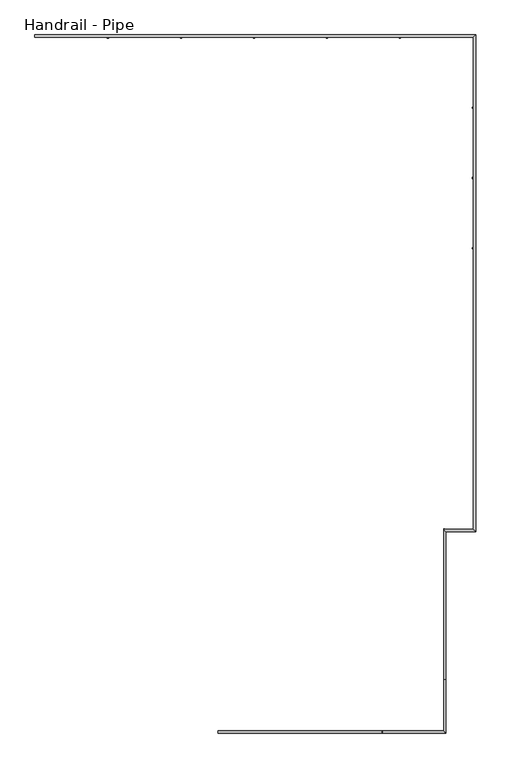
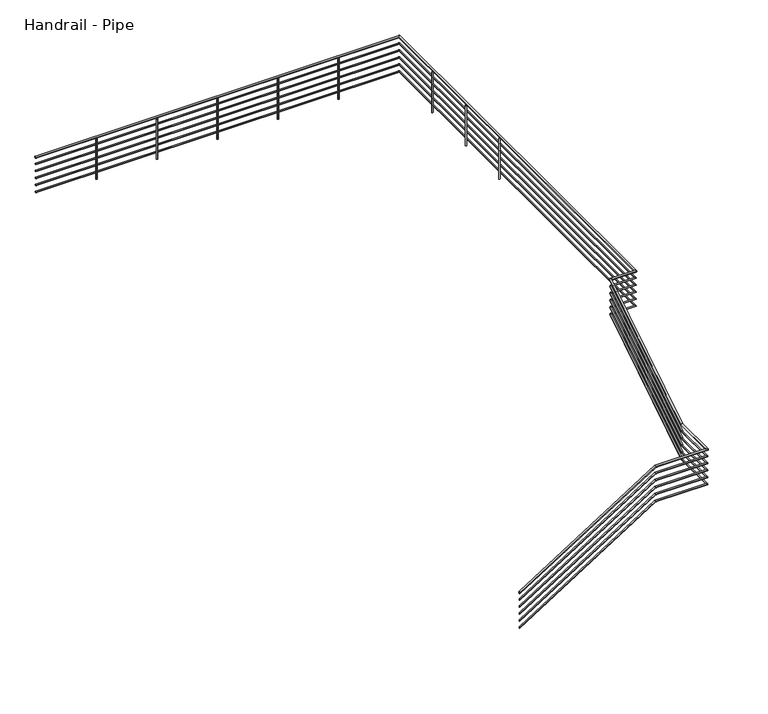
"""IFC4 building model written with IfcOpenShell, lengths in millimetres: railing geometry, Handrail - Pipe."""

from ifc_helpers import new_model, si_unit, point, frame, frame_2d, origin, place, context, project, spatial, circle_curve, ellipse_curve, trimmed, segment, composite_curve, outline, extrude, source, transform, mapped, element, save
from ifc_brep_helpers import plane_surface, cylinder_surface, advanced_brep


def handrail_pipe_531081cd(model_context):
    return source(origin(), model_context, "Body", "SolidModel", [
        advanced_brep(
        [(55126.7429477, 12804.217798, 1068.3318155), (55126.7429477, 12766.117798, 1068.3318155), (57926.2550732, 12804.217798, 2836.4447368), (57926.2550732, 12766.117798, 2836.4447368), (58968.4929477, 12804.217798, 2836.4447368), (59006.5929477, 12766.117798, 2836.4447368), (58968.4929477, 13679.6799235, 2836.4447368), (59006.5929477, 13679.6799235, 2836.4447368), (58968.4929477, 16240.4469281, 4453.771266), (59006.5929477, 16208.2338009, 4433.4261331)],
        [
            (0, 1, ellipse_curve(frame((55126.7429477, 12785.167798, 1068.3318155), z_axis=(-1.0, 0.0, 0.0), x_axis=(0.0, 0.0, -1.0)), 22.5313424, 19.05)),
            (1, 0, ellipse_curve(frame((55126.7429477, 12785.167798, 1068.3318155), z_axis=(-1.0, 0.0, 0.0), x_axis=(0.0, 0.0, -1.0)), 22.5313424, 19.05)),
            (0, 2),
            (2, 3, ellipse_curve(frame((57926.2550732, 12785.167798, 2836.4447368), z_axis=(-0.9605958835615972, 0.0, -0.277948823499065), x_axis=(0.2779488234990652, 0.0, -0.9605958835615973)), 19.8314404, 19.05)),
            (3, 1),
            (3, 2, ellipse_curve(frame((57926.2550732, 12785.167798, 2836.4447368), z_axis=(-0.9605958835615972, 0.0, -0.277948823499065), x_axis=(0.2779488234990652, 0.0, -0.9605958835615973)), 19.8314404, 19.05)),
            (2, 4),
            (4, 5, ellipse_curve(frame((58987.5429477, 12785.167798, 2836.4447368), z_axis=(-0.707106781186549, -0.7071067811865461, 0.0), x_axis=(-0.707106781186546, 0.7071067811865491, 0.0)), 26.9407684, 19.05)),
            (5, 3),
            (5, 4, ellipse_curve(frame((58987.5429477, 12785.167798, 2836.4447368), z_axis=(-0.707106781186549, -0.7071067811865461, 0.0), x_axis=(-0.707106781186546, 0.7071067811865491, 0.0)), 26.9407684, 19.05)),
            (4, 6),
            (6, 7, ellipse_curve(frame((58987.5429477, 13679.6799235, 2836.4447368), z_axis=(0.0, -0.9605958835615971, -0.27794882349906513), x_axis=(0.0, -0.2779488234990658, 0.9605958835615971)), 19.8314404, 19.05)),
            (7, 5),
            (7, 6, ellipse_curve(frame((58987.5429477, 13679.6799235, 2836.4447368), z_axis=(0.0, -0.9605958835615971, -0.27794882349906513), x_axis=(0.0, -0.2779488234990658, 0.9605958835615971)), 19.8314404, 19.05)),
            (8, 9, ellipse_curve(frame((58987.5429477, 16224.3403645, 4443.5986996), z_axis=(0.7071067811865491, 0.5978509367511726, 0.3775900653165325), x_axis=(0.7071067811865461, -0.5978509367511771, -0.37759006531653067)), 26.9407684, 19.05)),
            (9, 8, ellipse_curve(frame((58987.5429477, 16224.3403645, 4443.5986996), z_axis=(0.7071067811865491, 0.5978509367511726, 0.3775900653165325), x_axis=(0.7071067811865461, -0.5978509367511771, -0.37759006531653067)), 26.9407684, 19.05)),
            (6, 8),
            (9, 7),
        ],
        [
            plane_surface(frame((55126.7429477, 12785.167798, 1090.8631579), z_axis=(-1.0, 0.0, 0.0), x_axis=(0.0, 1.0, 0.0))),
            cylinder_surface(frame((55136.9155142, 12785.167798, 1074.7565943), z_axis=(-0.8454889030309711, 0.0, -0.5339929913879816), x_axis=(0.0, -1.0, 0.0)), 19.05),
            cylinder_surface(frame((57920.7429477, 12785.167798, 2836.4447368), z_axis=(-1.0, 0.0, 0.0), x_axis=(0.0, -1.0, 0.0)), 19.05),
            cylinder_surface(frame((58987.5429477, 12785.167798, 2836.4447368), z_axis=(0.0, -1.0, 0.0), x_axis=(1.0, 0.0, 0.0)), 19.05),
            plane_surface(frame((58987.5429477, 16214.167798, 4459.7052632), z_axis=(0.7071067811865491, 0.5978509367511726, 0.3775900653165325), x_axis=(0.707106781186546, -0.5978509367511753, -0.37759006531653416))),
            cylinder_surface(frame((58987.5429477, 13684.3403645, 2839.3881732), z_axis=(0.0, -0.845488903030971, -0.5339929913879818), x_axis=(1.0, 0.0, 0.0)), 19.05),
        ],
        [
            (0, [[1, 2]]),
            (1, [[-1, 3, 4, 5]]),
            (1, [[-2, -5, 6, -3]]),
            (2, [[-4, 7, 8, 9]]),
            (2, [[-6, -9, 10, -7]]),
            (3, [[-8, 11, 12, 13]]),
            (3, [[-10, -13, 14, -11]]),
            (4, [[15, 16]]),
            (5, [[-12, 17, -16, 18]]),
            (5, [[-14, -18, -15, -17]]),
        ],
    ),
        advanced_brep(
        [(58981.6089506, 16233.217798, 4456.6973684), (59013.8220778, 16195.117798, 4456.6973684), (59476.4929477, 16233.217798, 4456.6973684), (59514.5929477, 16195.117798, 4456.6973684), (59476.4929477, 24615.217798, 4456.6973684), (59514.5929477, 24653.317798, 4456.6973684), (52002.5429477, 24615.217798, 4456.6973684), (52002.5429477, 24653.317798, 4456.6973684)],
        [
            (0, 1, ellipse_curve(frame((58997.7155142, 16214.167798, 4456.6973684), z_axis=(-0.7071067811865491, -0.5978509367511726, -0.3775900653165325), x_axis=(-0.7071067811865459, 0.5978509367511775, 0.3775900653165308)), 26.9407684, 19.05)),
            (1, 0, ellipse_curve(frame((58997.7155142, 16214.167798, 4456.6973684), z_axis=(-0.7071067811865491, -0.5978509367511726, -0.3775900653165325), x_axis=(-0.7071067811865459, 0.5978509367511775, 0.3775900653165308)), 26.9407684, 19.05)),
            (0, 2),
            (2, 3, ellipse_curve(frame((59495.5429477, 16214.167798, 4456.6973684), z_axis=(-0.7071067811865501, -0.7071067811865449, 0.0), x_axis=(-0.7071067811865449, 0.7071067811865501, 0.0)), 26.9407684, 19.05)),
            (3, 1),
            (3, 2, ellipse_curve(frame((59495.5429477, 16214.167798, 4456.6973684), z_axis=(-0.7071067811865501, -0.7071067811865449, 0.0), x_axis=(-0.7071067811865449, 0.7071067811865501, 0.0)), 26.9407684, 19.05)),
            (2, 4),
            (4, 5, ellipse_curve(frame((59495.5429477, 24634.267798, 4456.6973684), z_axis=(0.7071067811865456, -0.7071067811865493, 0.0), x_axis=(-0.7071067811865492, -0.7071067811865457, 0.0)), 26.9407684, 19.05)),
            (5, 3),
            (5, 4, ellipse_curve(frame((59495.5429477, 24634.267798, 4456.6973684), z_axis=(0.7071067811865456, -0.7071067811865493, 0.0), x_axis=(-0.7071067811865492, -0.7071067811865457, 0.0)), 26.9407684, 19.05)),
            (6, 7, circle_curve(frame((52002.5429477, 24634.267798, 4456.6973684), z_axis=(-1.0, 0.0, 0.0), x_axis=(0.0, 1.0, 0.0)), 19.05)),
            (7, 6, circle_curve(frame((52002.5429477, 24634.267798, 4456.6973684), z_axis=(-1.0, 0.0, 0.0), x_axis=(0.0, 1.0, 0.0)), 19.05)),
            (4, 6),
            (7, 5),
        ],
        [
            plane_surface(frame((58987.5429477, 16214.167798, 4475.7473684), z_axis=(-0.7071067811865491, -0.5978509367511726, -0.3775900653165325), x_axis=(0.707106781186546, -0.5978509367511753, -0.37759006531653416))),
            cylinder_surface(frame((58987.5429477, 16214.167798, 4456.6973684), z_axis=(-1.0, 0.0, 0.0), x_axis=(0.0, -1.0, 0.0)), 19.05),
            cylinder_surface(frame((59495.5429477, 16214.167798, 4456.6973684), z_axis=(0.0, -1.0, 0.0), x_axis=(1.0, 0.0, 0.0)), 19.05),
            plane_surface(frame((52002.5429477, 24634.267798, 4475.7473684), z_axis=(-1.0, 0.0, 0.0), x_axis=(0.0, -1.0, 0.0))),
            cylinder_surface(frame((59495.5429477, 24634.267798, 4456.6973684), z_axis=(1.0, 0.0, 0.0), x_axis=(0.0, 1.0, 0.0)), 19.05),
        ],
        [
            (0, [[1, 2]]),
            (1, [[-1, 3, 4, 5]]),
            (1, [[-2, -5, 6, -3]]),
            (2, [[-4, 7, 8, 9]]),
            (2, [[-6, -9, 10, -7]]),
            (3, [[11, 12]]),
            (4, [[-8, 13, -12, 14]]),
            (4, [[-10, -14, -11, -13]]),
        ],
    ),
        advanced_brep(
        [(55126.7429477, 12797.867798, 923.4422629), (55126.7429477, 12772.467798, 923.4422629), (57924.4176981, 12797.867798, 2690.3947368), (57924.4176981, 12772.467798, 2690.3947368), (58974.8429477, 12797.867798, 2690.3947368), (59000.2429477, 12772.467798, 2690.3947368), (58974.8429477, 13677.8425483, 2690.3947368), (59000.2429477, 13677.8425483, 2690.3947368), (58974.8429477, 16231.687218, 4303.3492651), (59000.2429477, 16210.2117999, 4289.7858431)],
        [
            (0, 1, ellipse_curve(frame((55126.7429477, 12785.167798, 923.4422629), z_axis=(-1.0, 0.0, 0.0), x_axis=(0.0, 0.0, -1.0)), 15.020895, 12.7)),
            (1, 0, ellipse_curve(frame((55126.7429477, 12785.167798, 923.4422629), z_axis=(-1.0, 0.0, 0.0), x_axis=(0.0, 0.0, -1.0)), 15.020895, 12.7)),
            (0, 2),
            (2, 3, ellipse_curve(frame((57924.4176981, 12785.167798, 2690.3947368), z_axis=(-0.9605958835615972, 0.0, -0.277948823499065), x_axis=(0.2779488234990652, 0.0, -0.9605958835615973)), 13.2209603, 12.7)),
            (3, 1),
            (3, 2, ellipse_curve(frame((57924.4176981, 12785.167798, 2690.3947368), z_axis=(-0.9605958835615972, 0.0, -0.277948823499065), x_axis=(0.2779488234990652, 0.0, -0.9605958835615973)), 13.2209603, 12.7)),
            (2, 4),
            (4, 5, ellipse_curve(frame((58987.5429477, 12785.167798, 2690.3947368), z_axis=(-0.707106781186549, -0.7071067811865461, 0.0), x_axis=(-0.707106781186546, 0.7071067811865491, 0.0)), 17.9605122, 12.7)),
            (5, 3),
            (5, 4, ellipse_curve(frame((58987.5429477, 12785.167798, 2690.3947368), z_axis=(-0.707106781186549, -0.7071067811865461, 0.0), x_axis=(-0.707106781186546, 0.7071067811865491, 0.0)), 17.9605122, 12.7)),
            (4, 6),
            (6, 7, ellipse_curve(frame((58987.5429477, 13677.8425483, 2690.3947368), z_axis=(0.0, -0.9605958835615971, -0.27794882349906513), x_axis=(0.0, -0.2779488234990658, 0.9605958835615971)), 13.2209603, 12.7)),
            (7, 5),
            (7, 6, ellipse_curve(frame((58987.5429477, 13677.8425483, 2690.3947368), z_axis=(0.0, -0.9605958835615971, -0.27794882349906513), x_axis=(0.0, -0.2779488234990658, 0.9605958835615971)), 13.2209603, 12.7)),
            (8, 9, ellipse_curve(frame((58987.5429477, 16220.949509, 4296.5675541), z_axis=(0.7071067811865491, 0.5978509367511726, 0.3775900653165325), x_axis=(0.7071067811865461, -0.5978509367511771, -0.37759006531653067)), 17.9605122, 12.7)),
            (9, 8, ellipse_curve(frame((58987.5429477, 16220.949509, 4296.5675541), z_axis=(0.7071067811865491, 0.5978509367511726, 0.3775900653165325), x_axis=(0.7071067811865461, -0.5978509367511771, -0.37759006531653067)), 17.9605122, 12.7)),
            (6, 8),
            (9, 7),
        ],
        [
            plane_surface(frame((55126.7429477, 12785.167798, 938.4631579), z_axis=(-1.0, 0.0, 0.0), x_axis=(0.0, 1.0, 0.0))),
            cylinder_surface(frame((55133.5246587, 12785.167798, 927.7254488), z_axis=(-0.8454889030309711, 0.0, -0.5339929913879816), x_axis=(0.0, -1.0, 0.0)), 12.7),
            cylinder_surface(frame((57920.7429477, 12785.167798, 2690.3947368), z_axis=(-1.0, 0.0, 0.0), x_axis=(0.0, -1.0, 0.0)), 12.7),
            cylinder_surface(frame((58987.5429477, 12785.167798, 2690.3947368), z_axis=(0.0, -1.0, 0.0), x_axis=(1.0, 0.0, 0.0)), 12.7),
            plane_surface(frame((58987.5429477, 16214.167798, 4307.3052632), z_axis=(0.7071067811865491, 0.5978509367511726, 0.3775900653165325), x_axis=(0.707106781186546, -0.5978509367511753, -0.37759006531653416))),
            cylinder_surface(frame((58987.5429477, 13680.949509, 2692.3570278), z_axis=(0.0, -0.845488903030971, -0.5339929913879818), x_axis=(1.0, 0.0, 0.0)), 12.7),
        ],
        [
            (0, [[1, 2]]),
            (1, [[-1, 3, 4, 5]]),
            (1, [[-2, -5, 6, -3]]),
            (2, [[-4, 7, 8, 9]]),
            (2, [[-6, -9, 10, -7]]),
            (3, [[-8, 11, 12, 13]]),
            (3, [[-10, -13, 14, -11]]),
            (4, [[15, 16]]),
            (5, [[-12, 17, -16, 18]]),
            (5, [[-14, -18, -15, -17]]),
        ],
    ),
        advanced_brep(
        [(58983.5869496, 16226.867798, 4310.6473684), (59005.0623678, 16201.467798, 4310.6473684), (59482.8429477, 16226.867798, 4310.6473684), (59508.2429477, 16201.467798, 4310.6473684), (59482.8429477, 24621.567798, 4310.6473684), (59508.2429477, 24646.967798, 4310.6473684), (52002.5429477, 24621.567798, 4310.6473684), (52002.5429477, 24646.967798, 4310.6473684)],
        [
            (0, 1, ellipse_curve(frame((58994.3246587, 16214.167798, 4310.6473684), z_axis=(-0.7071067811865491, -0.5978509367511726, -0.3775900653165325), x_axis=(-0.7071067811865459, 0.5978509367511775, 0.3775900653165308)), 17.9605122, 12.7)),
            (1, 0, ellipse_curve(frame((58994.3246587, 16214.167798, 4310.6473684), z_axis=(-0.7071067811865491, -0.5978509367511726, -0.3775900653165325), x_axis=(-0.7071067811865459, 0.5978509367511775, 0.3775900653165308)), 17.9605122, 12.7)),
            (0, 2),
            (2, 3, ellipse_curve(frame((59495.5429477, 16214.167798, 4310.6473684), z_axis=(-0.7071067811865501, -0.7071067811865449, 0.0), x_axis=(-0.7071067811865449, 0.7071067811865501, 0.0)), 17.9605122, 12.7)),
            (3, 1),
            (3, 2, ellipse_curve(frame((59495.5429477, 16214.167798, 4310.6473684), z_axis=(-0.7071067811865501, -0.7071067811865449, 0.0), x_axis=(-0.7071067811865449, 0.7071067811865501, 0.0)), 17.9605122, 12.7)),
            (2, 4),
            (4, 5, ellipse_curve(frame((59495.5429477, 24634.267798, 4310.6473684), z_axis=(0.7071067811865456, -0.7071067811865493, 0.0), x_axis=(-0.7071067811865492, -0.7071067811865457, 0.0)), 17.9605122, 12.7)),
            (5, 3),
            (5, 4, ellipse_curve(frame((59495.5429477, 24634.267798, 4310.6473684), z_axis=(0.7071067811865456, -0.7071067811865493, 0.0), x_axis=(-0.7071067811865492, -0.7071067811865457, 0.0)), 17.9605122, 12.7)),
            (6, 7, circle_curve(frame((52002.5429477, 24634.267798, 4310.6473684), z_axis=(-1.0, 0.0, 0.0), x_axis=(0.0, 1.0, 0.0)), 12.7)),
            (7, 6, circle_curve(frame((52002.5429477, 24634.267798, 4310.6473684), z_axis=(-1.0, 0.0, 0.0), x_axis=(0.0, 1.0, 0.0)), 12.7)),
            (4, 6),
            (7, 5),
        ],
        [
            plane_surface(frame((58987.5429477, 16214.167798, 4323.3473684), z_axis=(-0.7071067811865491, -0.5978509367511726, -0.3775900653165325), x_axis=(0.707106781186546, -0.5978509367511753, -0.37759006531653416))),
            cylinder_surface(frame((58987.5429477, 16214.167798, 4310.6473684), z_axis=(-1.0, 0.0, 0.0), x_axis=(0.0, -1.0, 0.0)), 12.7),
            cylinder_surface(frame((59495.5429477, 16214.167798, 4310.6473684), z_axis=(0.0, -1.0, 0.0), x_axis=(1.0, 0.0, 0.0)), 12.7),
            plane_surface(frame((52002.5429477, 24634.267798, 4323.3473684), z_axis=(-1.0, 0.0, 0.0), x_axis=(0.0, -1.0, 0.0))),
            cylinder_surface(frame((59495.5429477, 24634.267798, 4310.6473684), z_axis=(1.0, 0.0, 0.0), x_axis=(0.0, 1.0, 0.0)), 12.7),
        ],
        [
            (0, [[1, 2]]),
            (1, [[-1, 3, 4, 5]]),
            (1, [[-2, -5, 6, -3]]),
            (2, [[-4, 7, 8, 9]]),
            (2, [[-6, -9, 10, -7]]),
            (3, [[11, 12]]),
            (4, [[-8, 13, -12, 14]]),
            (4, [[-10, -14, -11, -13]]),
        ],
    ),
        advanced_brep(
        [(55126.7429477, 12797.867798, 771.0422629), (55126.7429477, 12772.467798, 771.0422629), (57924.4176981, 12797.867798, 2537.9947368), (57924.4176981, 12772.467798, 2537.9947368), (58974.8429477, 12797.867798, 2537.9947368), (59000.2429477, 12772.467798, 2537.9947368), (58974.8429477, 13677.8425483, 2537.9947368), (59000.2429477, 13677.8425483, 2537.9947368), (58974.8429477, 16231.687218, 4150.9492651), (59000.2429477, 16210.2117999, 4137.3858431)],
        [
            (0, 1, ellipse_curve(frame((55126.7429477, 12785.167798, 771.0422629), z_axis=(-1.0, 0.0, 0.0), x_axis=(0.0, 0.0, -1.0)), 15.020895, 12.7)),
            (1, 0, ellipse_curve(frame((55126.7429477, 12785.167798, 771.0422629), z_axis=(-1.0, 0.0, 0.0), x_axis=(0.0, 0.0, -1.0)), 15.020895, 12.7)),
            (0, 2),
            (2, 3, ellipse_curve(frame((57924.4176981, 12785.167798, 2537.9947368), z_axis=(-0.9605958835615972, 0.0, -0.277948823499065), x_axis=(0.2779488234990652, 0.0, -0.9605958835615973)), 13.2209603, 12.7)),
            (3, 1),
            (3, 2, ellipse_curve(frame((57924.4176981, 12785.167798, 2537.9947368), z_axis=(-0.9605958835615972, 0.0, -0.277948823499065), x_axis=(0.2779488234990652, 0.0, -0.9605958835615973)), 13.2209603, 12.7)),
            (2, 4),
            (4, 5, ellipse_curve(frame((58987.5429477, 12785.167798, 2537.9947368), z_axis=(-0.707106781186549, -0.7071067811865461, 0.0), x_axis=(-0.707106781186546, 0.7071067811865491, 0.0)), 17.9605122, 12.7)),
            (5, 3),
            (5, 4, ellipse_curve(frame((58987.5429477, 12785.167798, 2537.9947368), z_axis=(-0.707106781186549, -0.7071067811865461, 0.0), x_axis=(-0.707106781186546, 0.7071067811865491, 0.0)), 17.9605122, 12.7)),
            (4, 6),
            (6, 7, ellipse_curve(frame((58987.5429477, 13677.8425483, 2537.9947368), z_axis=(0.0, -0.9605958835615971, -0.27794882349906513), x_axis=(0.0, -0.2779488234990658, 0.9605958835615971)), 13.2209603, 12.7)),
            (7, 5),
            (7, 6, ellipse_curve(frame((58987.5429477, 13677.8425483, 2537.9947368), z_axis=(0.0, -0.9605958835615971, -0.27794882349906513), x_axis=(0.0, -0.2779488234990658, 0.9605958835615971)), 13.2209603, 12.7)),
            (8, 9, ellipse_curve(frame((58987.5429477, 16220.949509, 4144.1675541), z_axis=(0.7071067811865491, 0.5978509367511726, 0.3775900653165325), x_axis=(0.7071067811865461, -0.5978509367511771, -0.37759006531653067)), 17.9605122, 12.7)),
            (9, 8, ellipse_curve(frame((58987.5429477, 16220.949509, 4144.1675541), z_axis=(0.7071067811865491, 0.5978509367511726, 0.3775900653165325), x_axis=(0.7071067811865461, -0.5978509367511771, -0.37759006531653067)), 17.9605122, 12.7)),
            (6, 8),
            (9, 7),
        ],
        [
            plane_surface(frame((55126.7429477, 12785.167798, 786.0631579), z_axis=(-1.0, 0.0, 0.0), x_axis=(0.0, 1.0, 0.0))),
            cylinder_surface(frame((55133.5246587, 12785.167798, 775.3254488), z_axis=(-0.8454889030309711, 0.0, -0.5339929913879816), x_axis=(0.0, -1.0, 0.0)), 12.7),
            cylinder_surface(frame((57920.7429477, 12785.167798, 2537.9947368), z_axis=(-1.0, 0.0, 0.0), x_axis=(0.0, -1.0, 0.0)), 12.7),
            cylinder_surface(frame((58987.5429477, 12785.167798, 2537.9947368), z_axis=(0.0, -1.0, 0.0), x_axis=(1.0, 0.0, 0.0)), 12.7),
            plane_surface(frame((58987.5429477, 16214.167798, 4154.9052632), z_axis=(0.7071067811865491, 0.5978509367511726, 0.3775900653165325), x_axis=(0.707106781186546, -0.5978509367511753, -0.37759006531653416))),
            cylinder_surface(frame((58987.5429477, 13680.949509, 2539.9570278), z_axis=(0.0, -0.845488903030971, -0.5339929913879818), x_axis=(1.0, 0.0, 0.0)), 12.7),
        ],
        [
            (0, [[1, 2]]),
            (1, [[-1, 3, 4, 5]]),
            (1, [[-2, -5, 6, -3]]),
            (2, [[-4, 7, 8, 9]]),
            (2, [[-6, -9, 10, -7]]),
            (3, [[-8, 11, 12, 13]]),
            (3, [[-10, -13, 14, -11]]),
            (4, [[15, 16]]),
            (5, [[-12, 17, -16, 18]]),
            (5, [[-14, -18, -15, -17]]),
        ],
    ),
        advanced_brep(
        [(58983.5869496, 16226.867798, 4158.2473684), (59005.0623678, 16201.467798, 4158.2473684), (59482.8429477, 16226.867798, 4158.2473684), (59508.2429477, 16201.467798, 4158.2473684), (59482.8429477, 24621.567798, 4158.2473684), (59508.2429477, 24646.967798, 4158.2473684), (52002.5429477, 24621.567798, 4158.2473684), (52002.5429477, 24646.967798, 4158.2473684)],
        [
            (0, 1, ellipse_curve(frame((58994.3246587, 16214.167798, 4158.2473684), z_axis=(-0.7071067811865491, -0.5978509367511726, -0.3775900653165325), x_axis=(-0.7071067811865459, 0.5978509367511775, 0.3775900653165308)), 17.9605122, 12.7)),
            (1, 0, ellipse_curve(frame((58994.3246587, 16214.167798, 4158.2473684), z_axis=(-0.7071067811865491, -0.5978509367511726, -0.3775900653165325), x_axis=(-0.7071067811865459, 0.5978509367511775, 0.3775900653165308)), 17.9605122, 12.7)),
            (0, 2),
            (2, 3, ellipse_curve(frame((59495.5429477, 16214.167798, 4158.2473684), z_axis=(-0.7071067811865501, -0.7071067811865449, 0.0), x_axis=(-0.7071067811865449, 0.7071067811865501, 0.0)), 17.9605122, 12.7)),
            (3, 1),
            (3, 2, ellipse_curve(frame((59495.5429477, 16214.167798, 4158.2473684), z_axis=(-0.7071067811865501, -0.7071067811865449, 0.0), x_axis=(-0.7071067811865449, 0.7071067811865501, 0.0)), 17.9605122, 12.7)),
            (2, 4),
            (4, 5, ellipse_curve(frame((59495.5429477, 24634.267798, 4158.2473684), z_axis=(0.7071067811865456, -0.7071067811865493, 0.0), x_axis=(-0.7071067811865492, -0.7071067811865457, 0.0)), 17.9605122, 12.7)),
            (5, 3),
            (5, 4, ellipse_curve(frame((59495.5429477, 24634.267798, 4158.2473684), z_axis=(0.7071067811865456, -0.7071067811865493, 0.0), x_axis=(-0.7071067811865492, -0.7071067811865457, 0.0)), 17.9605122, 12.7)),
            (6, 7, circle_curve(frame((52002.5429477, 24634.267798, 4158.2473684), z_axis=(-1.0, 0.0, 0.0), x_axis=(0.0, 1.0, 0.0)), 12.7)),
            (7, 6, circle_curve(frame((52002.5429477, 24634.267798, 4158.2473684), z_axis=(-1.0, 0.0, 0.0), x_axis=(0.0, 1.0, 0.0)), 12.7)),
            (4, 6),
            (7, 5),
        ],
        [
            plane_surface(frame((58987.5429477, 16214.167798, 4170.9473684), z_axis=(-0.7071067811865491, -0.5978509367511726, -0.3775900653165325), x_axis=(0.707106781186546, -0.5978509367511753, -0.37759006531653416))),
            cylinder_surface(frame((58987.5429477, 16214.167798, 4158.2473684), z_axis=(-1.0, 0.0, 0.0), x_axis=(0.0, -1.0, 0.0)), 12.7),
            cylinder_surface(frame((59495.5429477, 16214.167798, 4158.2473684), z_axis=(0.0, -1.0, 0.0), x_axis=(1.0, 0.0, 0.0)), 12.7),
            plane_surface(frame((52002.5429477, 24634.267798, 4170.9473684), z_axis=(-1.0, 0.0, 0.0), x_axis=(0.0, -1.0, 0.0))),
            cylinder_surface(frame((59495.5429477, 24634.267798, 4158.2473684), z_axis=(1.0, 0.0, 0.0), x_axis=(0.0, 1.0, 0.0)), 12.7),
        ],
        [
            (0, [[1, 2]]),
            (1, [[-1, 3, 4, 5]]),
            (1, [[-2, -5, 6, -3]]),
            (2, [[-4, 7, 8, 9]]),
            (2, [[-6, -9, 10, -7]]),
            (3, [[11, 12]]),
            (4, [[-8, 13, -12, 14]]),
            (4, [[-10, -14, -11, -13]]),
        ],
    ),
        advanced_brep(
        [(55126.7429477, 12797.867798, 618.6422629), (55126.7429477, 12772.467798, 618.6422629), (57924.4176981, 12797.867798, 2385.5947368), (57924.4176981, 12772.467798, 2385.5947368), (58974.8429477, 12797.867798, 2385.5947368), (59000.2429477, 12772.467798, 2385.5947368), (58974.8429477, 13677.8425483, 2385.5947368), (59000.2429477, 13677.8425483, 2385.5947368), (58974.8429477, 16231.687218, 3998.5492651), (59000.2429477, 16210.2117999, 3984.9858431)],
        [
            (0, 1, ellipse_curve(frame((55126.7429477, 12785.167798, 618.6422629), z_axis=(-1.0, 0.0, 0.0), x_axis=(0.0, 0.0, -1.0)), 15.020895, 12.7)),
            (1, 0, ellipse_curve(frame((55126.7429477, 12785.167798, 618.6422629), z_axis=(-1.0, 0.0, 0.0), x_axis=(0.0, 0.0, -1.0)), 15.020895, 12.7)),
            (0, 2),
            (2, 3, ellipse_curve(frame((57924.4176981, 12785.167798, 2385.5947368), z_axis=(-0.9605958835615972, 0.0, -0.277948823499065), x_axis=(0.2779488234990652, 0.0, -0.9605958835615973)), 13.2209603, 12.7)),
            (3, 1),
            (3, 2, ellipse_curve(frame((57924.4176981, 12785.167798, 2385.5947368), z_axis=(-0.9605958835615972, 0.0, -0.277948823499065), x_axis=(0.2779488234990652, 0.0, -0.9605958835615973)), 13.2209603, 12.7)),
            (2, 4),
            (4, 5, ellipse_curve(frame((58987.5429477, 12785.167798, 2385.5947368), z_axis=(-0.707106781186549, -0.7071067811865461, 0.0), x_axis=(-0.707106781186546, 0.7071067811865491, 0.0)), 17.9605122, 12.7)),
            (5, 3),
            (5, 4, ellipse_curve(frame((58987.5429477, 12785.167798, 2385.5947368), z_axis=(-0.707106781186549, -0.7071067811865461, 0.0), x_axis=(-0.707106781186546, 0.7071067811865491, 0.0)), 17.9605122, 12.7)),
            (4, 6),
            (6, 7, ellipse_curve(frame((58987.5429477, 13677.8425483, 2385.5947368), z_axis=(0.0, -0.9605958835615971, -0.27794882349906513), x_axis=(0.0, -0.2779488234990658, 0.9605958835615971)), 13.2209603, 12.7)),
            (7, 5),
            (7, 6, ellipse_curve(frame((58987.5429477, 13677.8425483, 2385.5947368), z_axis=(0.0, -0.9605958835615971, -0.27794882349906513), x_axis=(0.0, -0.2779488234990658, 0.9605958835615971)), 13.2209603, 12.7)),
            (8, 9, ellipse_curve(frame((58987.5429477, 16220.949509, 3991.7675541), z_axis=(0.7071067811865491, 0.5978509367511726, 0.3775900653165325), x_axis=(0.7071067811865461, -0.5978509367511771, -0.37759006531653067)), 17.9605122, 12.7)),
            (9, 8, ellipse_curve(frame((58987.5429477, 16220.949509, 3991.7675541), z_axis=(0.7071067811865491, 0.5978509367511726, 0.3775900653165325), x_axis=(0.7071067811865461, -0.5978509367511771, -0.37759006531653067)), 17.9605122, 12.7)),
            (6, 8),
            (9, 7),
        ],
        [
            plane_surface(frame((55126.7429477, 12785.167798, 633.6631579), z_axis=(-1.0, 0.0, 0.0), x_axis=(0.0, 1.0, 0.0))),
            cylinder_surface(frame((55133.5246587, 12785.167798, 622.9254488), z_axis=(-0.8454889030309711, 0.0, -0.5339929913879816), x_axis=(0.0, -1.0, 0.0)), 12.7),
            cylinder_surface(frame((57920.7429477, 12785.167798, 2385.5947368), z_axis=(-1.0, 0.0, 0.0), x_axis=(0.0, -1.0, 0.0)), 12.7),
            cylinder_surface(frame((58987.5429477, 12785.167798, 2385.5947368), z_axis=(0.0, -1.0, 0.0), x_axis=(1.0, 0.0, 0.0)), 12.7),
            plane_surface(frame((58987.5429477, 16214.167798, 4002.5052632), z_axis=(0.7071067811865491, 0.5978509367511726, 0.3775900653165325), x_axis=(0.707106781186546, -0.5978509367511753, -0.37759006531653416))),
            cylinder_surface(frame((58987.5429477, 13680.949509, 2387.5570278), z_axis=(0.0, -0.845488903030971, -0.5339929913879818), x_axis=(1.0, 0.0, 0.0)), 12.7),
        ],
        [
            (0, [[1, 2]]),
            (1, [[-1, 3, 4, 5]]),
            (1, [[-2, -5, 6, -3]]),
            (2, [[-4, 7, 8, 9]]),
            (2, [[-6, -9, 10, -7]]),
            (3, [[-8, 11, 12, 13]]),
            (3, [[-10, -13, 14, -11]]),
            (4, [[15, 16]]),
            (5, [[-12, 17, -16, 18]]),
            (5, [[-14, -18, -15, -17]]),
        ],
    ),
        advanced_brep(
        [(58983.5869496, 16226.867798, 4005.8473684), (59005.0623678, 16201.467798, 4005.8473684), (59482.8429477, 16226.867798, 4005.8473684), (59508.2429477, 16201.467798, 4005.8473684), (59482.8429477, 24621.567798, 4005.8473684), (59508.2429477, 24646.967798, 4005.8473684), (52002.5429477, 24621.567798, 4005.8473684), (52002.5429477, 24646.967798, 4005.8473684)],
        [
            (0, 1, ellipse_curve(frame((58994.3246587, 16214.167798, 4005.8473684), z_axis=(-0.7071067811865491, -0.5978509367511726, -0.3775900653165325), x_axis=(-0.7071067811865459, 0.5978509367511775, 0.3775900653165308)), 17.9605122, 12.7)),
            (1, 0, ellipse_curve(frame((58994.3246587, 16214.167798, 4005.8473684), z_axis=(-0.7071067811865491, -0.5978509367511726, -0.3775900653165325), x_axis=(-0.7071067811865459, 0.5978509367511775, 0.3775900653165308)), 17.9605122, 12.7)),
            (0, 2),
            (2, 3, ellipse_curve(frame((59495.5429477, 16214.167798, 4005.8473684), z_axis=(-0.7071067811865501, -0.7071067811865449, 0.0), x_axis=(-0.7071067811865449, 0.7071067811865501, 0.0)), 17.9605122, 12.7)),
            (3, 1),
            (3, 2, ellipse_curve(frame((59495.5429477, 16214.167798, 4005.8473684), z_axis=(-0.7071067811865501, -0.7071067811865449, 0.0), x_axis=(-0.7071067811865449, 0.7071067811865501, 0.0)), 17.9605122, 12.7)),
            (2, 4),
            (4, 5, ellipse_curve(frame((59495.5429477, 24634.267798, 4005.8473684), z_axis=(0.7071067811865456, -0.7071067811865493, 0.0), x_axis=(-0.7071067811865492, -0.7071067811865457, 0.0)), 17.9605122, 12.7)),
            (5, 3),
            (5, 4, ellipse_curve(frame((59495.5429477, 24634.267798, 4005.8473684), z_axis=(0.7071067811865456, -0.7071067811865493, 0.0), x_axis=(-0.7071067811865492, -0.7071067811865457, 0.0)), 17.9605122, 12.7)),
            (6, 7, circle_curve(frame((52002.5429477, 24634.267798, 4005.8473684), z_axis=(-1.0, 0.0, 0.0), x_axis=(0.0, 1.0, 0.0)), 12.7)),
            (7, 6, circle_curve(frame((52002.5429477, 24634.267798, 4005.8473684), z_axis=(-1.0, 0.0, 0.0), x_axis=(0.0, 1.0, 0.0)), 12.7)),
            (4, 6),
            (7, 5),
        ],
        [
            plane_surface(frame((58987.5429477, 16214.167798, 4018.5473684), z_axis=(-0.7071067811865491, -0.5978509367511726, -0.3775900653165325), x_axis=(0.707106781186546, -0.5978509367511753, -0.37759006531653416))),
            cylinder_surface(frame((58987.5429477, 16214.167798, 4005.8473684), z_axis=(-1.0, 0.0, 0.0), x_axis=(0.0, -1.0, 0.0)), 12.7),
            cylinder_surface(frame((59495.5429477, 16214.167798, 4005.8473684), z_axis=(0.0, -1.0, 0.0), x_axis=(1.0, 0.0, 0.0)), 12.7),
            plane_surface(frame((52002.5429477, 24634.267798, 4018.5473684), z_axis=(-1.0, 0.0, 0.0), x_axis=(0.0, -1.0, 0.0))),
            cylinder_surface(frame((59495.5429477, 24634.267798, 4005.8473684), z_axis=(1.0, 0.0, 0.0), x_axis=(0.0, 1.0, 0.0)), 12.7),
        ],
        [
            (0, [[1, 2]]),
            (1, [[-1, 3, 4, 5]]),
            (1, [[-2, -5, 6, -3]]),
            (2, [[-4, 7, 8, 9]]),
            (2, [[-6, -9, 10, -7]]),
            (3, [[11, 12]]),
            (4, [[-8, 13, -12, 14]]),
            (4, [[-10, -14, -11, -13]]),
        ],
    ),
        advanced_brep(
        [(55126.7429477, 12797.867798, 466.2422629), (55126.7429477, 12772.467798, 466.2422629), (57924.4176981, 12797.867798, 2233.1947368), (57924.4176981, 12772.467798, 2233.1947368), (58974.8429477, 12797.867798, 2233.1947368), (59000.2429477, 12772.467798, 2233.1947368), (58974.8429477, 13677.8425483, 2233.1947368), (59000.2429477, 13677.8425483, 2233.1947368), (58974.8429477, 16231.687218, 3846.1492651), (59000.2429477, 16210.2117999, 3832.5858431)],
        [
            (0, 1, ellipse_curve(frame((55126.7429477, 12785.167798, 466.2422629), z_axis=(-1.0, 0.0, 0.0), x_axis=(0.0, 0.0, -1.0)), 15.020895, 12.7)),
            (1, 0, ellipse_curve(frame((55126.7429477, 12785.167798, 466.2422629), z_axis=(-1.0, 0.0, 0.0), x_axis=(0.0, 0.0, -1.0)), 15.020895, 12.7)),
            (0, 2),
            (2, 3, ellipse_curve(frame((57924.4176981, 12785.167798, 2233.1947368), z_axis=(-0.9605958835615972, 0.0, -0.277948823499065), x_axis=(0.2779488234990652, 0.0, -0.9605958835615973)), 13.2209603, 12.7)),
            (3, 1),
            (3, 2, ellipse_curve(frame((57924.4176981, 12785.167798, 2233.1947368), z_axis=(-0.9605958835615972, 0.0, -0.277948823499065), x_axis=(0.2779488234990652, 0.0, -0.9605958835615973)), 13.2209603, 12.7)),
            (2, 4),
            (4, 5, ellipse_curve(frame((58987.5429477, 12785.167798, 2233.1947368), z_axis=(-0.707106781186549, -0.7071067811865461, 0.0), x_axis=(-0.707106781186546, 0.7071067811865491, 0.0)), 17.9605122, 12.7)),
            (5, 3),
            (5, 4, ellipse_curve(frame((58987.5429477, 12785.167798, 2233.1947368), z_axis=(-0.707106781186549, -0.7071067811865461, 0.0), x_axis=(-0.707106781186546, 0.7071067811865491, 0.0)), 17.9605122, 12.7)),
            (4, 6),
            (6, 7, ellipse_curve(frame((58987.5429477, 13677.8425483, 2233.1947368), z_axis=(0.0, -0.9605958835615971, -0.27794882349906513), x_axis=(0.0, -0.2779488234990658, 0.9605958835615971)), 13.2209603, 12.7)),
            (7, 5),
            (7, 6, ellipse_curve(frame((58987.5429477, 13677.8425483, 2233.1947368), z_axis=(0.0, -0.9605958835615971, -0.27794882349906513), x_axis=(0.0, -0.2779488234990658, 0.9605958835615971)), 13.2209603, 12.7)),
            (8, 9, ellipse_curve(frame((58987.5429477, 16220.949509, 3839.3675541), z_axis=(0.7071067811865491, 0.5978509367511726, 0.3775900653165325), x_axis=(0.7071067811865461, -0.5978509367511771, -0.37759006531653067)), 17.9605122, 12.7)),
            (9, 8, ellipse_curve(frame((58987.5429477, 16220.949509, 3839.3675541), z_axis=(0.7071067811865491, 0.5978509367511726, 0.3775900653165325), x_axis=(0.7071067811865461, -0.5978509367511771, -0.37759006531653067)), 17.9605122, 12.7)),
            (6, 8),
            (9, 7),
        ],
        [
            plane_surface(frame((55126.7429477, 12785.167798, 481.2631579), z_axis=(-1.0, 0.0, 0.0), x_axis=(0.0, 1.0, 0.0))),
            cylinder_surface(frame((55133.5246587, 12785.167798, 470.5254488), z_axis=(-0.8454889030309711, 0.0, -0.5339929913879816), x_axis=(0.0, -1.0, 0.0)), 12.7),
            cylinder_surface(frame((57920.7429477, 12785.167798, 2233.1947368), z_axis=(-1.0, 0.0, 0.0), x_axis=(0.0, -1.0, 0.0)), 12.7),
            cylinder_surface(frame((58987.5429477, 12785.167798, 2233.1947368), z_axis=(0.0, -1.0, 0.0), x_axis=(1.0, 0.0, 0.0)), 12.7),
            plane_surface(frame((58987.5429477, 16214.167798, 3850.1052632), z_axis=(0.7071067811865491, 0.5978509367511726, 0.3775900653165325), x_axis=(0.707106781186546, -0.5978509367511753, -0.37759006531653416))),
            cylinder_surface(frame((58987.5429477, 13680.949509, 2235.1570278), z_axis=(0.0, -0.845488903030971, -0.5339929913879818), x_axis=(1.0, 0.0, 0.0)), 12.7),
        ],
        [
            (0, [[1, 2]]),
            (1, [[-1, 3, 4, 5]]),
            (1, [[-2, -5, 6, -3]]),
            (2, [[-4, 7, 8, 9]]),
            (2, [[-6, -9, 10, -7]]),
            (3, [[-8, 11, 12, 13]]),
            (3, [[-10, -13, 14, -11]]),
            (4, [[15, 16]]),
            (5, [[-12, 17, -16, 18]]),
            (5, [[-14, -18, -15, -17]]),
        ],
    ),
        advanced_brep(
        [(58983.5869496, 16226.867798, 3853.4473684), (59005.0623678, 16201.467798, 3853.4473684), (59482.8429477, 16226.867798, 3853.4473684), (59508.2429477, 16201.467798, 3853.4473684), (59482.8429477, 24621.567798, 3853.4473684), (59508.2429477, 24646.967798, 3853.4473684), (52002.5429477, 24621.567798, 3853.4473684), (52002.5429477, 24646.967798, 3853.4473684)],
        [
            (0, 1, ellipse_curve(frame((58994.3246587, 16214.167798, 3853.4473684), z_axis=(-0.7071067811865491, -0.5978509367511726, -0.3775900653165325), x_axis=(-0.7071067811865459, 0.5978509367511775, 0.3775900653165308)), 17.9605122, 12.7)),
            (1, 0, ellipse_curve(frame((58994.3246587, 16214.167798, 3853.4473684), z_axis=(-0.7071067811865491, -0.5978509367511726, -0.3775900653165325), x_axis=(-0.7071067811865459, 0.5978509367511775, 0.3775900653165308)), 17.9605122, 12.7)),
            (0, 2),
            (2, 3, ellipse_curve(frame((59495.5429477, 16214.167798, 3853.4473684), z_axis=(-0.7071067811865501, -0.7071067811865449, 0.0), x_axis=(-0.7071067811865449, 0.7071067811865501, 0.0)), 17.9605122, 12.7)),
            (3, 1),
            (3, 2, ellipse_curve(frame((59495.5429477, 16214.167798, 3853.4473684), z_axis=(-0.7071067811865501, -0.7071067811865449, 0.0), x_axis=(-0.7071067811865449, 0.7071067811865501, 0.0)), 17.9605122, 12.7)),
            (2, 4),
            (4, 5, ellipse_curve(frame((59495.5429477, 24634.267798, 3853.4473684), z_axis=(0.7071067811865456, -0.7071067811865493, 0.0), x_axis=(-0.7071067811865492, -0.7071067811865457, 0.0)), 17.9605122, 12.7)),
            (5, 3),
            (5, 4, ellipse_curve(frame((59495.5429477, 24634.267798, 3853.4473684), z_axis=(0.7071067811865456, -0.7071067811865493, 0.0), x_axis=(-0.7071067811865492, -0.7071067811865457, 0.0)), 17.9605122, 12.7)),
            (6, 7, circle_curve(frame((52002.5429477, 24634.267798, 3853.4473684), z_axis=(-1.0, 0.0, 0.0), x_axis=(0.0, 1.0, 0.0)), 12.7)),
            (7, 6, circle_curve(frame((52002.5429477, 24634.267798, 3853.4473684), z_axis=(-1.0, 0.0, 0.0), x_axis=(0.0, 1.0, 0.0)), 12.7)),
            (4, 6),
            (7, 5),
        ],
        [
            plane_surface(frame((58987.5429477, 16214.167798, 3866.1473684), z_axis=(-0.7071067811865491, -0.5978509367511726, -0.3775900653165325), x_axis=(0.707106781186546, -0.5978509367511753, -0.37759006531653416))),
            cylinder_surface(frame((58987.5429477, 16214.167798, 3853.4473684), z_axis=(-1.0, 0.0, 0.0), x_axis=(0.0, -1.0, 0.0)), 12.7),
            cylinder_surface(frame((59495.5429477, 16214.167798, 3853.4473684), z_axis=(0.0, -1.0, 0.0), x_axis=(1.0, 0.0, 0.0)), 12.7),
            plane_surface(frame((52002.5429477, 24634.267798, 3866.1473684), z_axis=(-1.0, 0.0, 0.0), x_axis=(0.0, -1.0, 0.0))),
            cylinder_surface(frame((59495.5429477, 24634.267798, 3853.4473684), z_axis=(1.0, 0.0, 0.0), x_axis=(0.0, 1.0, 0.0)), 12.7),
        ],
        [
            (0, [[1, 2]]),
            (1, [[-1, 3, 4, 5]]),
            (1, [[-2, -5, 6, -3]]),
            (2, [[-4, 7, 8, 9]]),
            (2, [[-6, -9, 10, -7]]),
            (3, [[11, 12]]),
            (4, [[-8, 13, -12, 14]]),
            (4, [[-10, -14, -11, -13]]),
        ],
    ),
        advanced_brep(
        [(55126.7429477, 12797.867798, 313.8422629), (55126.7429477, 12772.467798, 313.8422629), (57924.4176981, 12797.867798, 2080.7947368), (57924.4176981, 12772.467798, 2080.7947368), (58974.8429477, 12797.867798, 2080.7947368), (59000.2429477, 12772.467798, 2080.7947368), (58974.8429477, 13677.8425483, 2080.7947368), (59000.2429477, 13677.8425483, 2080.7947368), (58974.8429477, 16231.687218, 3693.7492651), (59000.2429477, 16210.2117999, 3680.1858431)],
        [
            (0, 1, ellipse_curve(frame((55126.7429477, 12785.167798, 313.8422629), z_axis=(-1.0, 0.0, 0.0), x_axis=(0.0, 0.0, -1.0)), 15.020895, 12.7)),
            (1, 0, ellipse_curve(frame((55126.7429477, 12785.167798, 313.8422629), z_axis=(-1.0, 0.0, 0.0), x_axis=(0.0, 0.0, -1.0)), 15.020895, 12.7)),
            (0, 2),
            (2, 3, ellipse_curve(frame((57924.4176981, 12785.167798, 2080.7947368), z_axis=(-0.9605958835615972, 0.0, -0.277948823499065), x_axis=(0.2779488234990652, 0.0, -0.9605958835615973)), 13.2209603, 12.7)),
            (3, 1),
            (3, 2, ellipse_curve(frame((57924.4176981, 12785.167798, 2080.7947368), z_axis=(-0.9605958835615972, 0.0, -0.277948823499065), x_axis=(0.2779488234990652, 0.0, -0.9605958835615973)), 13.2209603, 12.7)),
            (2, 4),
            (4, 5, ellipse_curve(frame((58987.5429477, 12785.167798, 2080.7947368), z_axis=(-0.707106781186549, -0.7071067811865461, 0.0), x_axis=(-0.707106781186546, 0.7071067811865491, 0.0)), 17.9605122, 12.7)),
            (5, 3),
            (5, 4, ellipse_curve(frame((58987.5429477, 12785.167798, 2080.7947368), z_axis=(-0.707106781186549, -0.7071067811865461, 0.0), x_axis=(-0.707106781186546, 0.7071067811865491, 0.0)), 17.9605122, 12.7)),
            (4, 6),
            (6, 7, ellipse_curve(frame((58987.5429477, 13677.8425483, 2080.7947368), z_axis=(0.0, -0.9605958835615971, -0.27794882349906513), x_axis=(0.0, -0.2779488234990658, 0.9605958835615971)), 13.2209603, 12.7)),
            (7, 5),
            (7, 6, ellipse_curve(frame((58987.5429477, 13677.8425483, 2080.7947368), z_axis=(0.0, -0.9605958835615971, -0.27794882349906513), x_axis=(0.0, -0.2779488234990658, 0.9605958835615971)), 13.2209603, 12.7)),
            (8, 9, ellipse_curve(frame((58987.5429477, 16220.949509, 3686.9675541), z_axis=(0.7071067811865491, 0.5978509367511726, 0.3775900653165325), x_axis=(0.7071067811865461, -0.5978509367511771, -0.37759006531653067)), 17.9605122, 12.7)),
            (9, 8, ellipse_curve(frame((58987.5429477, 16220.949509, 3686.9675541), z_axis=(0.7071067811865491, 0.5978509367511726, 0.3775900653165325), x_axis=(0.7071067811865461, -0.5978509367511771, -0.37759006531653067)), 17.9605122, 12.7)),
            (6, 8),
            (9, 7),
        ],
        [
            plane_surface(frame((55126.7429477, 12785.167798, 328.8631579), z_axis=(-1.0, 0.0, 0.0), x_axis=(0.0, 1.0, 0.0))),
            cylinder_surface(frame((55133.5246587, 12785.167798, 318.1254488), z_axis=(-0.8454889030309711, 0.0, -0.5339929913879816), x_axis=(0.0, -1.0, 0.0)), 12.7),
            cylinder_surface(frame((57920.7429477, 12785.167798, 2080.7947368), z_axis=(-1.0, 0.0, 0.0), x_axis=(0.0, -1.0, 0.0)), 12.7),
            cylinder_surface(frame((58987.5429477, 12785.167798, 2080.7947368), z_axis=(0.0, -1.0, 0.0), x_axis=(1.0, 0.0, 0.0)), 12.7),
            plane_surface(frame((58987.5429477, 16214.167798, 3697.7052632), z_axis=(0.7071067811865491, 0.5978509367511726, 0.3775900653165325), x_axis=(0.707106781186546, -0.5978509367511753, -0.37759006531653416))),
            cylinder_surface(frame((58987.5429477, 13680.949509, 2082.7570278), z_axis=(0.0, -0.845488903030971, -0.5339929913879818), x_axis=(1.0, 0.0, 0.0)), 12.7),
        ],
        [
            (0, [[1, 2]]),
            (1, [[-1, 3, 4, 5]]),
            (1, [[-2, -5, 6, -3]]),
            (2, [[-4, 7, 8, 9]]),
            (2, [[-6, -9, 10, -7]]),
            (3, [[-8, 11, 12, 13]]),
            (3, [[-10, -13, 14, -11]]),
            (4, [[15, 16]]),
            (5, [[-12, 17, -16, 18]]),
            (5, [[-14, -18, -15, -17]]),
        ],
    ),
        advanced_brep(
        [(58983.5869496, 16226.867798, 3701.0473684), (59005.0623678, 16201.467798, 3701.0473684), (59482.8429477, 16226.867798, 3701.0473684), (59508.2429477, 16201.467798, 3701.0473684), (59482.8429477, 24621.567798, 3701.0473684), (59508.2429477, 24646.967798, 3701.0473684), (52002.5429477, 24621.567798, 3701.0473684), (52002.5429477, 24646.967798, 3701.0473684)],
        [
            (0, 1, ellipse_curve(frame((58994.3246587, 16214.167798, 3701.0473684), z_axis=(-0.7071067811865491, -0.5978509367511726, -0.3775900653165325), x_axis=(-0.7071067811865459, 0.5978509367511775, 0.3775900653165308)), 17.9605122, 12.7)),
            (1, 0, ellipse_curve(frame((58994.3246587, 16214.167798, 3701.0473684), z_axis=(-0.7071067811865491, -0.5978509367511726, -0.3775900653165325), x_axis=(-0.7071067811865459, 0.5978509367511775, 0.3775900653165308)), 17.9605122, 12.7)),
            (0, 2),
            (2, 3, ellipse_curve(frame((59495.5429477, 16214.167798, 3701.0473684), z_axis=(-0.7071067811865501, -0.7071067811865449, 0.0), x_axis=(-0.7071067811865449, 0.7071067811865501, 0.0)), 17.9605122, 12.7)),
            (3, 1),
            (3, 2, ellipse_curve(frame((59495.5429477, 16214.167798, 3701.0473684), z_axis=(-0.7071067811865501, -0.7071067811865449, 0.0), x_axis=(-0.7071067811865449, 0.7071067811865501, 0.0)), 17.9605122, 12.7)),
            (2, 4),
            (4, 5, ellipse_curve(frame((59495.5429477, 24634.267798, 3701.0473684), z_axis=(0.7071067811865456, -0.7071067811865493, 0.0), x_axis=(-0.7071067811865492, -0.7071067811865457, 0.0)), 17.9605122, 12.7)),
            (5, 3),
            (5, 4, ellipse_curve(frame((59495.5429477, 24634.267798, 3701.0473684), z_axis=(0.7071067811865456, -0.7071067811865493, 0.0), x_axis=(-0.7071067811865492, -0.7071067811865457, 0.0)), 17.9605122, 12.7)),
            (6, 7, circle_curve(frame((52002.5429477, 24634.267798, 3701.0473684), z_axis=(-1.0, 0.0, 0.0), x_axis=(0.0, 1.0, 0.0)), 12.7)),
            (7, 6, circle_curve(frame((52002.5429477, 24634.267798, 3701.0473684), z_axis=(-1.0, 0.0, 0.0), x_axis=(0.0, 1.0, 0.0)), 12.7)),
            (4, 6),
            (7, 5),
        ],
        [
            plane_surface(frame((58987.5429477, 16214.167798, 3713.7473684), z_axis=(-0.7071067811865491, -0.5978509367511726, -0.3775900653165325), x_axis=(0.707106781186546, -0.5978509367511753, -0.37759006531653416))),
            cylinder_surface(frame((58987.5429477, 16214.167798, 3701.0473684), z_axis=(-1.0, 0.0, 0.0), x_axis=(0.0, -1.0, 0.0)), 12.7),
            cylinder_surface(frame((59495.5429477, 16214.167798, 3701.0473684), z_axis=(0.0, -1.0, 0.0), x_axis=(1.0, 0.0, 0.0)), 12.7),
            plane_surface(frame((52002.5429477, 24634.267798, 3713.7473684), z_axis=(-1.0, 0.0, 0.0), x_axis=(0.0, -1.0, 0.0))),
            cylinder_surface(frame((59495.5429477, 24634.267798, 3701.0473684), z_axis=(1.0, 0.0, 0.0), x_axis=(0.0, 1.0, 0.0)), 12.7),
        ],
        [
            (0, [[1, 2]]),
            (1, [[-1, 3, 4, 5]]),
            (1, [[-2, -5, 6, -3]]),
            (2, [[-4, 7, 8, 9]]),
            (2, [[-6, -9, 10, -7]]),
            (3, [[11, 12]]),
            (4, [[-8, 13, -12, 14]]),
            (4, [[-10, -14, -11, -13]]),
        ],
    ),
        extrude(outline(composite_curve([segment(trimmed(circle_curve(frame_2d((53247.1429477, 24608.867798)), 12.7), [point((53247.1429477, 24596.167798))], [point((53247.1429477, 24621.567798))], False, "CARTESIAN"), True, "CONTINUOUS"), segment(trimmed(circle_curve(frame_2d((53247.1429477, 24608.867798)), 12.7), [point((53247.1429477, 24621.567798))], [point((53247.1429477, 24596.167798))], False, "CARTESIAN"), True, "CONTINUOUS")], self_intersect=False)), frame((0.0, 0.0, 3561.3473684), z_axis=(0.0, 0.0, 1.0), x_axis=(1.0, 0.0, 0.0)), (0.0, 0.0, 1.0), 876.3),
        extrude(outline(composite_curve([segment(trimmed(circle_curve(frame_2d((54491.7429477, 24608.867798)), 12.7), [point((54491.7429477, 24596.167798))], [point((54491.7429477, 24621.567798))], False, "CARTESIAN"), True, "CONTINUOUS"), segment(trimmed(circle_curve(frame_2d((54491.7429477, 24608.867798)), 12.7), [point((54491.7429477, 24621.567798))], [point((54491.7429477, 24596.167798))], False, "CARTESIAN"), True, "CONTINUOUS")], self_intersect=False)), frame((0.0, 0.0, 3561.3473684), z_axis=(0.0, 0.0, 1.0), x_axis=(1.0, 0.0, 0.0)), (0.0, 0.0, 1.0), 876.3),
        extrude(outline(composite_curve([segment(trimmed(circle_curve(frame_2d((55736.3429477, 24608.867798)), 12.7), [point((55736.3429477, 24596.167798))], [point((55736.3429477, 24621.567798))], False, "CARTESIAN"), True, "CONTINUOUS"), segment(trimmed(circle_curve(frame_2d((55736.3429477, 24608.867798)), 12.7), [point((55736.3429477, 24621.567798))], [point((55736.3429477, 24596.167798))], False, "CARTESIAN"), True, "CONTINUOUS")], self_intersect=False)), frame((0.0, 0.0, 3561.3473684), z_axis=(0.0, 0.0, 1.0), x_axis=(1.0, 0.0, 0.0)), (0.0, 0.0, 1.0), 876.3),
        extrude(outline(composite_curve([segment(trimmed(circle_curve(frame_2d((56980.9429477, 24608.867798)), 12.7), [point((56980.9429477, 24596.167798))], [point((56980.9429477, 24621.567798))], False, "CARTESIAN"), True, "CONTINUOUS"), segment(trimmed(circle_curve(frame_2d((56980.9429477, 24608.867798)), 12.7), [point((56980.9429477, 24621.567798))], [point((56980.9429477, 24596.167798))], False, "CARTESIAN"), True, "CONTINUOUS")], self_intersect=False)), frame((0.0, 0.0, 3561.3473684), z_axis=(0.0, 0.0, 1.0), x_axis=(1.0, 0.0, 0.0)), (0.0, 0.0, 1.0), 876.3),
        extrude(outline(composite_curve([segment(trimmed(circle_curve(frame_2d((58225.5429477, 24608.867798)), 12.7), [point((58225.5429477, 24596.167798))], [point((58225.5429477, 24621.567798))], False, "CARTESIAN"), True, "CONTINUOUS"), segment(trimmed(circle_curve(frame_2d((58225.5429477, 24608.867798)), 12.7), [point((58225.5429477, 24621.567798))], [point((58225.5429477, 24596.167798))], False, "CARTESIAN"), True, "CONTINUOUS")], self_intersect=False)), frame((0.0, 0.0, 3561.3473684), z_axis=(0.0, 0.0, 1.0), x_axis=(1.0, 0.0, 0.0)), (0.0, 0.0, 1.0), 876.3),
        extrude(outline(composite_curve([segment(trimmed(circle_curve(frame_2d((59470.1429477, 23413.2535123)), 12.7), [point((59457.4429477, 23413.2535123))], [point((59482.8429477, 23413.2535123))], False, "CARTESIAN"), True, "CONTINUOUS"), segment(trimmed(circle_curve(frame_2d((59470.1429477, 23413.2535123)), 12.7), [point((59482.8429477, 23413.2535123))], [point((59457.4429477, 23413.2535123))], False, "CARTESIAN"), True, "CONTINUOUS")], self_intersect=False)), frame((0.0, 0.0, 3561.3473684), z_axis=(0.0, 0.0, 1.0), x_axis=(1.0, 0.0, 0.0)), (0.0, 0.0, 1.0), 876.3),
        extrude(outline(composite_curve([segment(trimmed(circle_curve(frame_2d((59470.1429477, 22217.6392266)), 12.7), [point((59457.4429477, 22217.6392266))], [point((59482.8429477, 22217.6392266))], False, "CARTESIAN"), True, "CONTINUOUS"), segment(trimmed(circle_curve(frame_2d((59470.1429477, 22217.6392266)), 12.7), [point((59482.8429477, 22217.6392266))], [point((59457.4429477, 22217.6392266))], False, "CARTESIAN"), True, "CONTINUOUS")], self_intersect=False)), frame((0.0, 0.0, 3561.3473684), z_axis=(0.0, 0.0, 1.0), x_axis=(1.0, 0.0, 0.0)), (0.0, 0.0, 1.0), 876.3),
        extrude(outline(composite_curve([segment(trimmed(circle_curve(frame_2d((59470.1429477, 21022.0249408)), 12.7), [point((59457.4429477, 21022.0249408))], [point((59482.8429477, 21022.0249408))], False, "CARTESIAN"), True, "CONTINUOUS"), segment(trimmed(circle_curve(frame_2d((59470.1429477, 21022.0249408)), 12.7), [point((59482.8429477, 21022.0249408))], [point((59457.4429477, 21022.0249408))], False, "CARTESIAN"), True, "CONTINUOUS")], self_intersect=False)), frame((0.0, 0.0, 3561.3473684), z_axis=(0.0, 0.0, 1.0), x_axis=(1.0, 0.0, 0.0)), (0.0, 0.0, 1.0), 876.3),
    ])


if __name__ == "__main__":
    model = new_model("IFC4")
    model_context = context("Model", 3, world=origin())
    ifc_project = project(units=[si_unit("LENGTHUNIT", "METRE", prefix="MILLI")], contexts=[model_context])
    site = spatial("IfcSite", under=ifc_project)
    building = spatial("IfcBuilding", under=site)
    placement = place(None, origin())
    handrail_pipe_shape = handrail_pipe_531081cd(model_context)
    element("IfcRailing", 1, ObjectType="Handrail - Pipe", at=placement, inside=building, context=model_context, shape_type="MappedRepresentation", body=[
        mapped(handrail_pipe_shape, transform((0.0, 0.0, 0.0), x_axis=(1.0, 0.0, 0.0), y_axis=(0.0, 1.0, 0.0), z_axis=(0.0, 0.0, 1.0))),
    ])
    save(model, "model.ifc")
